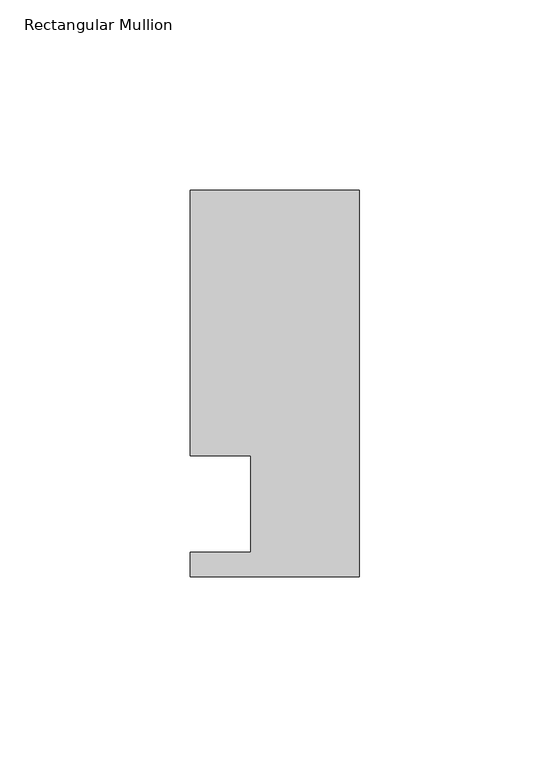
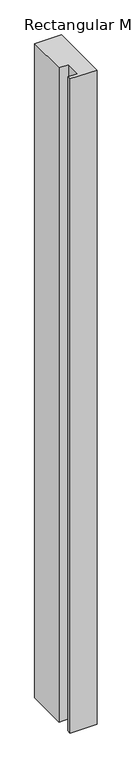
"""IFC4 building model written with IfcOpenShell, lengths in millimetres: member geometry, Rectangular Mullion."""

from ifc_helpers import new_model, si_unit, frame, origin, place, context, project, spatial, polyline, outline, extrude, source, transform, mapped, element, save


def rectangular_mullion_62a711a0(model_context):
    return source(origin(), model_context, "Body", "SweptSolid", [
        extrude(outline(polyline([(-44.45, -50.927), (-44.45, -44.45), (-28.575, -44.45), (-28.575, -19.05), (-44.45, -19.05), (-44.45, 50.673), (0.0, 50.673), (0.0, -50.927), (-44.45, -50.927)])), frame((0.0, 0.0, -1145.1166667), z_axis=(0.0, 0.0, 1.0), x_axis=(1.0, 0.0, 0.0)), (0.0, 0.0, 1.0), 1145.1166667),
    ])


if __name__ == "__main__":
    model = new_model("IFC4")
    model_context = context("Model", 3, world=origin())
    ifc_project = project(units=[si_unit("LENGTHUNIT", "METRE", prefix="MILLI")], contexts=[model_context])
    site = spatial("IfcSite", under=ifc_project)
    building = spatial("IfcBuilding", under=site)
    placement = place(None, origin())
    rectangular_mullion_shape = rectangular_mullion_62a711a0(model_context)
    element("IfcMember", 1, ObjectType="Rectangular Mullion", at=placement, inside=building, context=model_context, shape_type="MappedRepresentation", body=[
        mapped(rectangular_mullion_shape, transform((0.0, 0.0, 0.0), x_axis=(1.0, 0.0, 0.0), y_axis=(0.0, 1.0, 0.0), z_axis=(0.0, 0.0, 1.0))),
    ])
    save(model, "model.ifc")
